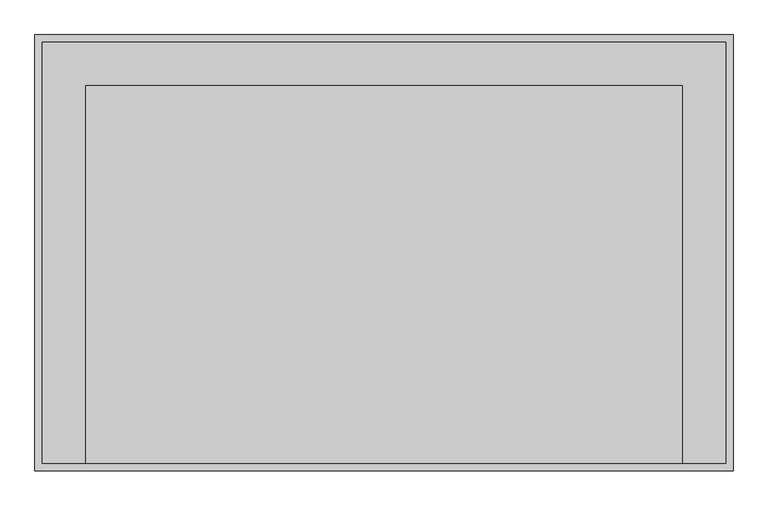
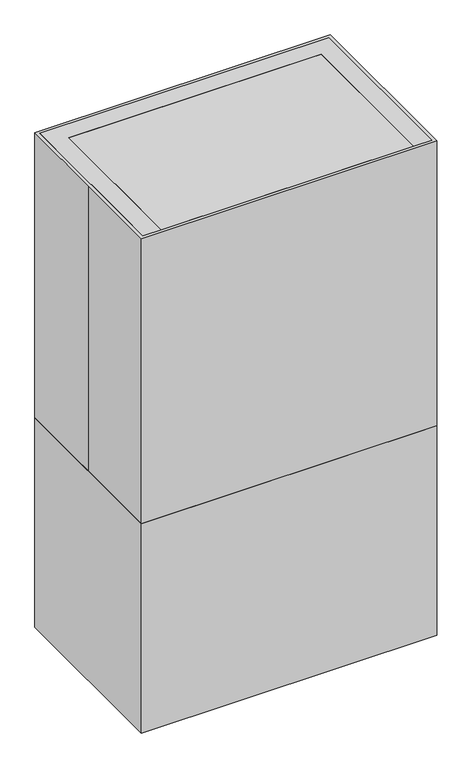
"""IFC4 building model written with IfcOpenShell, lengths in millimetres: proxy geometry."""

from ifc_helpers import new_model, si_unit, frame, origin, origin_with_axes, place, context, project, spatial, polyline, outline, extrude, source, transform, mapped, element, save


def specialty_equipment_1317bbbd(model_context):
    return source(origin(), model_context, "Body", "SweptSolid", [
        extrude(outline(polyline([(520.7, -368.3), (-520.7, -368.3), (-520.7, -342.9), (520.7, -342.9), (520.7, -368.3)])), frame((0.0, 0.0, 914.4), z_axis=(0.0, 0.0, 1.0), x_axis=(1.0, 0.0, 0.0)), (0.0, 0.0, 1.0), 762.0),
        extrude(outline(polyline([(520.7, -338.1852783), (-520.7, -338.1852783), (-520.7, 292.1), (520.7, 292.1), (520.7, -338.1852783)])), frame((0.0, 0.0, 1300.3613111), z_axis=(0.0, 0.0, 1.0), x_axis=(1.0, 0.0, 0.0)), (0.0, 0.0, 1.0), 12.7),
        extrude(outline(polyline([(520.7, -368.3), (-520.7, -368.3), (-520.7, 292.1), (520.7, 292.1), (520.7, -368.3)])), frame((0.0, 0.0, 1676.4), z_axis=(0.0, 0.0, 1.0), x_axis=(1.0, 0.0, 0.0)), (0.0, 0.0, 1.0), 482.6),
        extrude(outline(polyline([(-520.7, -368.3), (-596.9, -368.3), (-596.9, 368.3), (596.9, 368.3), (596.9, -368.3), (520.7, -368.3), (520.7, 292.1), (-520.7, 292.1), (-520.7, -368.3)])), frame((0.0, 0.0, 914.4), z_axis=(0.0, 0.0, 1.0), x_axis=(1.0, 0.0, 0.0)), (0.0, 0.0, 1.0), 1244.6),
        extrude(outline(polyline([(609.6, -381.0), (-609.6, -381.0), (-609.6, 381.0), (609.6, 381.0), (609.6, -381.0)])), origin_with_axes(), (0.0, 0.0, 1.0), 914.4),
        extrude(outline(polyline([(-609.6, 381.0), (609.6, 381.0), (609.6, -381.0), (-609.6, -381.0), (-609.6, 0.0), (-609.6, 381.0)])), origin_with_axes(), (0.0, 0.0, 1.0), 2159.0),
    ])


if __name__ == "__main__":
    model = new_model("IFC4")
    model_context = context("Model", 3, world=origin())
    ifc_project = project(units=[si_unit("LENGTHUNIT", "METRE", prefix="MILLI")], contexts=[model_context])
    site = spatial("IfcSite", under=ifc_project)
    building = spatial("IfcBuilding", under=site)
    placement = place(None, origin())
    specialty_equipment_shape = specialty_equipment_1317bbbd(model_context)
    element("IfcBuildingElementProxy", 1, Name="Specialty Equipment", at=placement, inside=building, context=model_context, shape_type="MappedRepresentation", body=[
        mapped(specialty_equipment_shape, transform((0.0, 0.0, 0.0), x_axis=(1.0, 0.0, 0.0), y_axis=(0.0, 1.0, 0.0), z_axis=(0.0, 0.0, 1.0))),
    ])
    save(model, "model.ifc")
